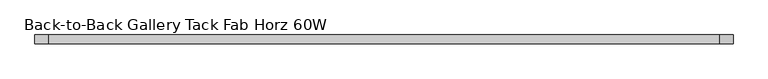
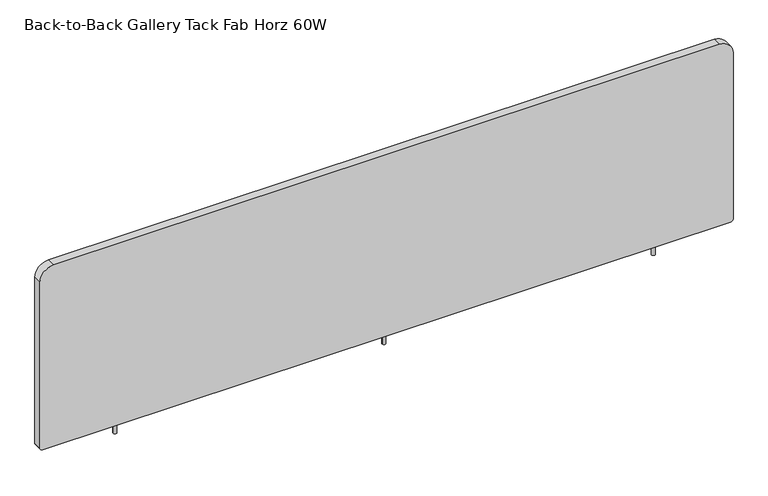
"""IFC4 building model written with IfcOpenShell, lengths in millimetres: furniture geometry, Back-to-Back Gallery Tack Fab Horz 60W."""

from ifc_helpers import new_model, si_unit, point, frame, frame_2d, origin, place, context, project, spatial, polyline, circle_curve, trimmed, segment, composite_curve, outline, extrude, source, transform, mapped, element, save


def back_to_back_gallery_tack_fab_horz_60w_23697419(model_context):
    return source(origin(), model_context, "Body", "SweptSolid", [
        extrude(outline(composite_curve([segment(trimmed(circle_curve(frame_2d((758.063, 0.0)), 3.81), [point((754.253, 0.0))], [point((761.873, 0.0))], False, "CARTESIAN"), True, "CONTINUOUS"), segment(trimmed(circle_curve(frame_2d((758.063, 0.0)), 3.81), [point((761.873, 0.0))], [point((754.253, 0.0))], False, "CARTESIAN"), True, "CONTINUOUS")], self_intersect=False)), frame((0.0, 0.0, 433.4256), z_axis=(0.0, 0.0, 1.0), x_axis=(1.0, 0.0, 0.0)), (0.0, 0.0, 1.0), 26.3906),
        extrude(outline(composite_curve([segment(trimmed(circle_curve(frame_2d((1346.835, 0.0)), 3.81), [point((1343.025, 0.0))], [point((1350.645, 0.0))], False, "CARTESIAN"), True, "CONTINUOUS"), segment(trimmed(circle_curve(frame_2d((1346.835, 0.0)), 3.81), [point((1350.645, 0.0))], [point((1343.025, 0.0))], False, "CARTESIAN"), True, "CONTINUOUS")], self_intersect=False)), frame((0.0, 0.0, 433.4256), z_axis=(0.0, 0.0, 1.0), x_axis=(1.0, 0.0, 0.0)), (0.0, 0.0, 1.0), 26.3906),
        extrude(outline(composite_curve([segment(trimmed(circle_curve(frame_2d((462.6102, 6.35)), 6.35), [point((462.6102, 0.0))], [point((456.2602, 6.35))], False, "CARTESIAN"), True, "CONTINUOUS"), segment(polyline([(456.2602, 6.35), (456.2602, 1509.776)]), True, "CONTINUOUS"), segment(trimmed(circle_curve(frame_2d((462.6102, 1509.776)), 6.35), [point((456.2602, 1509.776))], [point((462.6102, 1516.126))], False, "CARTESIAN"), True, "CONTINUOUS"), segment(polyline([(462.6102, 1516.126), (845.693, 1516.126)]), True, "CONTINUOUS"), segment(trimmed(circle_curve(frame_2d((845.693, 1486.2302)), 29.8958), [point((845.693, 1516.126))], [point((875.5888, 1486.2302))], False, "CARTESIAN"), True, "CONTINUOUS"), segment(polyline([(875.5888, 1486.2302), (875.5888, 29.8958)]), True, "CONTINUOUS"), segment(trimmed(circle_curve(frame_2d((845.693, 29.8958)), 29.8958), [point((875.5888, 29.8958))], [point((845.693, 0.0))], False, "CARTESIAN"), True, "CONTINUOUS"), segment(polyline([(845.693, 0.0), (462.6102, 0.0)]), True, "CONTINUOUS")], self_intersect=False)), frame((0.0, -9.5295067, 0.0), z_axis=(0.0, 1.0, 0.0), x_axis=(0.0, 0.0, 1.0)), (0.0, 0.0, 1.0), 19.05),
        extrude(outline(composite_curve([segment(trimmed(circle_curve(frame_2d((169.291, 0.0)), 3.81), [point((165.481, 0.0))], [point((173.101, 0.0))], False, "CARTESIAN"), True, "CONTINUOUS"), segment(trimmed(circle_curve(frame_2d((169.291, 0.0)), 3.81), [point((173.101, 0.0))], [point((165.481, 0.0))], False, "CARTESIAN"), True, "CONTINUOUS")], self_intersect=False)), frame((0.0, 0.0, 433.4256), z_axis=(0.0, 0.0, 1.0), x_axis=(1.0, 0.0, 0.0)), (0.0, 0.0, 1.0), 26.3906),
    ])


if __name__ == "__main__":
    model = new_model("IFC4")
    model_context = context("Model", 3, world=origin())
    ifc_project = project(units=[si_unit("LENGTHUNIT", "METRE", prefix="MILLI")], contexts=[model_context])
    site = spatial("IfcSite", under=ifc_project)
    building = spatial("IfcBuilding", under=site)
    placement = place(None, origin())
    back_to_back_gallery_tack_fab_horz_60w_shape = back_to_back_gallery_tack_fab_horz_60w_23697419(model_context)
    element("IfcFurniture", 1, ObjectType="Back-to-Back Gallery Tack Fab Horz 60W", at=placement, inside=building, context=model_context, shape_type="MappedRepresentation", body=[
        mapped(back_to_back_gallery_tack_fab_horz_60w_shape, transform((0.0, 0.0, 0.0), x_axis=(1.0, 0.0, 0.0), y_axis=(0.0, 1.0, 0.0), z_axis=(0.0, 0.0, 1.0))),
    ])
    save(model, "model.ifc")
